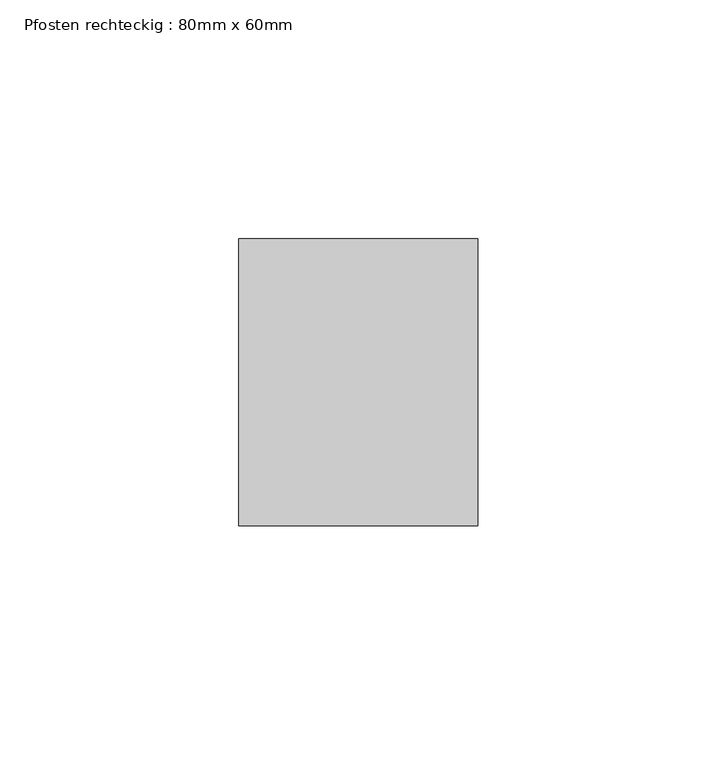
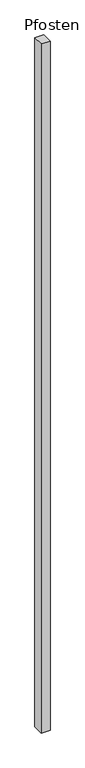
"""IFC4 building model written with IfcOpenShell, lengths in millimetres: member geometry, Pfosten rechteckig : 80mm x 60mm."""

import ifcopenshell
import ifcopenshell.guid

model = None  # the IFC model being written
_history = None  # IfcOwnerHistory: only IFC2X3 demands one
_inside = {}  # id of a spatial element -> (the spatial element, [elements in it])
_under = {}  # id of a project, library or spatial element -> (it, [spatial elements below it])
_declared = {}  # id of a project -> (the project, [libraries it declares])
_typed = {}  # id of a type object -> (the type object, [elements of that type])
_made_of = {}  # id of a material, layer set ... -> (it, [elements and type objects made of it])


def new_model(schema):
    """Start an empty IFC model of exactly this schema.

    Asked for "IFC4X3", IfcOpenShell would pick the latest addendum, in which some entities
    have other attributes; the version numbers below select the first issue.
    IFC2X3 requires an IfcOwnerHistory on every rooted entity: one is made here for all.
    """
    global model, _history
    if schema == "IFC4X3":
        model = ifcopenshell.file(schema_version=(4, 3, 0, 0))
    else:
        model = ifcopenshell.file(schema=schema)
    _inside.clear()
    _under.clear()
    _declared.clear()
    _typed.clear()
    _made_of.clear()
    _history = None
    if model.schema == "IFC2X3":
        org = make("IfcOrganization", Name="unknown")
        user = make(
            "IfcPersonAndOrganization",
            ThePerson=make("IfcPerson", FamilyName="unknown"),
            TheOrganization=org,
        )
        app = make(
            "IfcApplication",
            ApplicationDeveloper=org,
            Version="unknown",
            ApplicationFullName="unknown",
            ApplicationIdentifier="unknown",
        )
        _history = make(
            "IfcOwnerHistory",
            OwningUser=user,
            OwningApplication=app,
            ChangeAction="ADDED",
            CreationDate=0,
        )
    return model


def make(cls, **values):
    """One entity of the class cls with the attributes given. An attribute that is None is left unset."""
    return model.create_entity(
        cls, **{name: value for name, value in values.items() if value is not None}
    )


def rooted(cls, **values):
    """An entity with a GlobalId (a new one), such as an element, a storey or a relation."""
    return make(cls, GlobalId=ifcopenshell.guid.new(), OwnerHistory=_history, **values)


def si_unit(unit_type, name, prefix=None):
    """IfcSIUnit, for example si_unit("LENGTHUNIT", "METRE", prefix="MILLI")."""
    return make("IfcSIUnit", UnitType=unit_type, Prefix=prefix, Name=name)


def assignment(units):
    """IfcUnitAssignment: the units of a project."""
    return None if units is None else make("IfcUnitAssignment", Units=units)


def point(xyz):
    """IfcCartesianPoint."""
    return None if xyz is None else make("IfcCartesianPoint", Coordinates=xyz)


def direction(xyz):
    """IfcDirection."""
    return None if xyz is None else make("IfcDirection", DirectionRatios=xyz)


def frame(location, z_axis=None, x_axis=None):
    """IfcAxis2Placement3D, a coordinate frame: its origin and axes. An axis left out is left unset."""
    return make(
        "IfcAxis2Placement3D",
        Location=point(location),
        Axis=direction(z_axis),
        RefDirection=direction(x_axis),
    )


def origin():
    """The frame at (0, 0, 0) with its axes left unset."""
    return frame((0.0, 0.0, 0.0))


def place(relative_to, where):
    """IfcLocalPlacement: puts the frame where relative to a parent placement (None: the world)."""
    return make(
        "IfcLocalPlacement", PlacementRelTo=relative_to, RelativePlacement=where
    )


def context(
    kind, dimensions, precision=None, world=None, true_north=None, identifier=None
):
    """IfcGeometricRepresentationContext, for example the 3D "Model" context."""
    return make(
        "IfcGeometricRepresentationContext",
        ContextIdentifier=identifier,
        ContextType=kind,
        CoordinateSpaceDimension=dimensions,
        Precision=precision,
        WorldCoordinateSystem=world,
        TrueNorth=true_north,
    )


def project(units=None, contexts=None):
    """IfcProject with its units and contexts."""
    return rooted(
        "IfcProject",
        Name="project",
        RepresentationContexts=contexts,
        UnitsInContext=assignment(units),
    )


def spatial(cls, under=None, at=None, **own):
    """A site, building, storey or space (cls), placed at a placement, below another one or the project."""
    s = rooted(cls, ObjectPlacement=at, **own)
    if under is not None:
        _under.setdefault(under.id(), (under, []))[1].append(s)
    return s


def polyline(points):
    """IfcPolyline through the points."""
    return make("IfcPolyline", Points=[point(p) for p in points])


def outline(outer, holes=None, kind="AREA"):
    """IfcArbitraryClosedProfileDef: a profile drawn as a closed curve; with holes, ...WithVoids."""
    if holes is None:
        return make("IfcArbitraryClosedProfileDef", ProfileType=kind, OuterCurve=outer)
    return make(
        "IfcArbitraryProfileDefWithVoids",
        ProfileType=kind,
        OuterCurve=outer,
        InnerCurves=holes,
    )


def extrude(swept, where, along, depth):
    """IfcExtrudedAreaSolid: the profile swept, set in the frame where, extruded along a direction by depth."""
    return make(
        "IfcExtrudedAreaSolid",
        SweptArea=swept,
        Position=where,
        ExtrudedDirection=direction(along),
        Depth=depth,
    )


def shape(context_of_items, identifier, shape_type, items):
    """IfcShapeRepresentation: the items that make up one representation, for example the "Body"."""
    return make(
        "IfcShapeRepresentation",
        ContextOfItems=context_of_items,
        RepresentationIdentifier=identifier,
        RepresentationType=shape_type,
        Items=items,
    )


def source(mapping_origin, context_of_items, identifier, shape_type, items):
    """IfcRepresentationMap: a shape defined once, which mapped items show again and again."""
    return make(
        "IfcRepresentationMap",
        MappingOrigin=mapping_origin,
        MappedRepresentation=shape(context_of_items, identifier, shape_type, items),
    )


def transform(
    local_origin,
    x_axis=None,
    y_axis=None,
    z_axis=None,
    scale=None,
    scale2=None,
    scale3=None,
    uniform=True,
):
    """IfcCartesianTransformationOperator3D, or its non-uniform kind. x_axis, y_axis, z_axis: its Axis1, 2, 3."""
    if uniform:
        return make(
            "IfcCartesianTransformationOperator3D",
            Axis1=direction(x_axis),
            Axis2=direction(y_axis),
            LocalOrigin=point(local_origin),
            Scale=scale,
            Axis3=direction(z_axis),
        )
    return make(
        "IfcCartesianTransformationOperator3DnonUniform",
        Axis1=direction(x_axis),
        Axis2=direction(y_axis),
        LocalOrigin=point(local_origin),
        Scale=scale,
        Axis3=direction(z_axis),
        Scale2=scale2,
        Scale3=scale3,
    )


def mapped(mapping_source, mapping_target):
    """IfcMappedItem: shows the shape of a source again, moved by a transform."""
    return make(
        "IfcMappedItem", MappingSource=mapping_source, MappingTarget=mapping_target
    )


def made_of(thing, what):
    """Note that an element or type object is made of a material, layer set ...; save() writes the relation."""
    if what is not None:
        _made_of.setdefault(what.id(), (what, []))[1].append(thing)
    return thing


def element(
    cls,
    number,
    at=None,
    inside=None,
    cuts=None,
    type_object=None,
    material=None,
    context=None,
    identifier="Body",
    shape_type=None,
    held_by="IfcProductDefinitionShape",
    body=None,
    shapes=None,
    **own,
):
    """One element of the class cls, such as IfcWall. Its Tag is "e" and its number.

    at: its placement. inside: the storey or other place that contains it. cuts: it is an
    opening in that element (IfcRelVoidsElement). A single representation is given by context,
    identifier, shape_type and body (its items); several are given by shapes. held_by: the class
    of the entity that holds the representations. save() writes the other relations.
    """
    e = rooted(cls, Tag="e%d" % number, ObjectPlacement=at, **own)
    if body is not None:
        shapes = [shape(context, identifier, shape_type, body)]
    if shapes is not None:
        e.Representation = make(held_by, Representations=shapes)
    if inside is not None:
        _inside.setdefault(inside.id(), (inside, []))[1].append(e)
    if cuts is not None:
        rooted(
            "IfcRelVoidsElement", RelatingBuildingElement=cuts, RelatedOpeningElement=e
        )
    if type_object is not None:
        _typed.setdefault(type_object.id(), (type_object, []))[1].append(e)
    return made_of(e, material)


def aggregate(whole, parts):
    """IfcRelAggregates: a whole, such as a stair, and the parts it consists of."""
    return rooted("IfcRelAggregates", RelatingObject=whole, RelatedObjects=parts)


def save(model, path):
    """Write the relations noted so far, then the file.

    IfcRelAggregates (storeys below a building ...), IfcRelContainedInSpatialStructure (elements
    in a storey), IfcRelDefinesByType, IfcRelAssociatesMaterial and IfcRelDeclares: one each for
    every whole, place, type object, material and project.
    """
    for whole, parts in _under.values():
        aggregate(whole, parts)
    for where, things in _inside.values():
        rooted(
            "IfcRelContainedInSpatialStructure",
            RelatedElements=things,
            RelatingStructure=where,
        )
    for kind, things in _typed.values():
        rooted("IfcRelDefinesByType", RelatedObjects=things, RelatingType=kind)
    for what, things in _made_of.values():
        rooted("IfcRelAssociatesMaterial", RelatedObjects=things, RelatingMaterial=what)
    for by, libraries in _declared.values():
        rooted("IfcRelDeclares", RelatingContext=by, RelatedDefinitions=libraries)
    model.write(path)


def pfosten_rechteckig_80mm_x_60mm_f28d5956(model_context):
    return source(origin(), model_context, "Body", "SweptSolid", [
        extrude(outline(polyline([(0.0, 30.0), (0.0, -30.0), (-50.0, -30.0), (-50.0, 30.0), (0.0, 30.0)])), frame((0.0, 0.0, -4085.0), z_axis=(0.0, 0.0, 1.0), x_axis=(1.0, 0.0, 0.0)), (0.0, 0.0, 1.0), 4085.0),
    ])


if __name__ == "__main__":
    model = new_model("IFC4")
    model_context = context("Model", 3, world=origin())
    ifc_project = project(units=[si_unit("LENGTHUNIT", "METRE", prefix="MILLI")], contexts=[model_context])
    site = spatial("IfcSite", under=ifc_project)
    building = spatial("IfcBuilding", under=site)
    placement = place(None, origin())
    pfosten_rechteckig_80mm_x_60mm_shape = pfosten_rechteckig_80mm_x_60mm_f28d5956(model_context)
    element("IfcMember", 1, ObjectType="Pfosten rechteckig : 80mm x 60mm", at=placement, inside=building, context=model_context, shape_type="MappedRepresentation", body=[
        mapped(pfosten_rechteckig_80mm_x_60mm_shape, transform((0.0, 0.0, 0.0), x_axis=(1.0, 0.0, 0.0), y_axis=(0.0, 1.0, 0.0), z_axis=(0.0, 0.0, 1.0))),
    ])
    save(model, "model.ifc")
